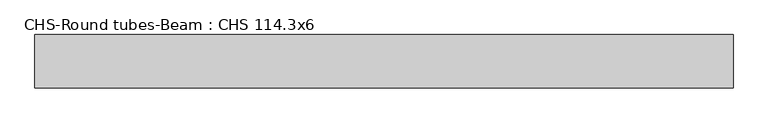
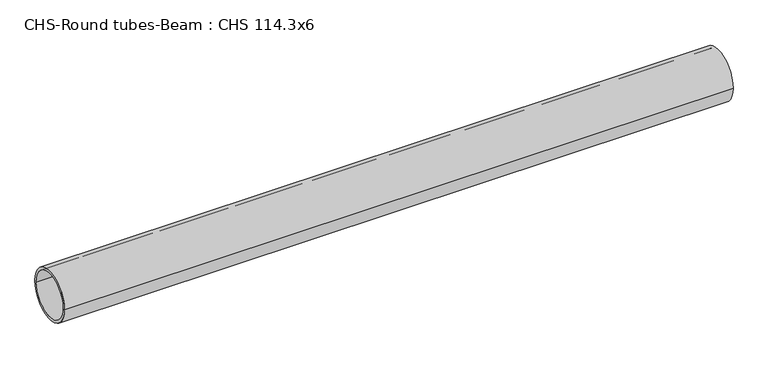
"""IFC4 building model written with IfcOpenShell, lengths in millimetres: beam geometry, CHS-Round tubes-Beam : CHS 114.3x6."""

from ifc_helpers import new_model, si_unit, point, frame, origin, origin_2d, place, context, project, spatial, circle_curve, trimmed, segment, composite_curve, outline, extrude, source, transform, mapped, element, save


def chs_round_tubes_beam_chs_114_3x6_a08c705d(model_context):
    return source(origin(), model_context, "Body", "SweptSolid", [
        extrude(outline(composite_curve([segment(trimmed(circle_curve(origin_2d(), 57.15), [point((57.15, 0.0))], [point((-57.15, 0.0))], False, "CARTESIAN"), True, "CONTINUOUS"), segment(trimmed(circle_curve(origin_2d(), 57.15), [point((-57.15, 0.0))], [point((57.15, 0.0))], False, "CARTESIAN"), True, "CONTINUOUS")], self_intersect=False), holes=[composite_curve([segment(trimmed(circle_curve(origin_2d(), 51.15), [point((51.15, 0.0))], [point((-51.15, 0.0))], True, "CARTESIAN"), True, "CONTINUOUS"), segment(trimmed(circle_curve(origin_2d(), 51.15), [point((-51.15, 0.0))], [point((51.15, 0.0))], True, "CARTESIAN"), True, "CONTINUOUS")], self_intersect=False)]), frame((-761.1348188, 0.0, 0.0), z_axis=(1.0, 0.0, 0.0), x_axis=(0.0, 1.0, 0.0)), (0.0, 0.0, 1.0), 1497.6799447),
    ])


if __name__ == "__main__":
    model = new_model("IFC4")
    model_context = context("Model", 3, world=origin())
    ifc_project = project(units=[si_unit("LENGTHUNIT", "METRE", prefix="MILLI")], contexts=[model_context])
    site = spatial("IfcSite", under=ifc_project)
    building = spatial("IfcBuilding", under=site)
    placement = place(None, origin())
    chs_round_tubes_beam_chs_114_3x6_shape = chs_round_tubes_beam_chs_114_3x6_a08c705d(model_context)
    element("IfcBeam", 1, ObjectType="CHS-Round tubes-Beam : CHS 114.3x6", at=placement, inside=building, context=model_context, shape_type="MappedRepresentation", body=[
        mapped(chs_round_tubes_beam_chs_114_3x6_shape, transform((0.0, 0.0, 0.0), x_axis=(1.0, 0.0, 0.0), y_axis=(0.0, 1.0, 0.0), z_axis=(0.0, 0.0, 1.0))),
    ])
    save(model, "model.ifc")
